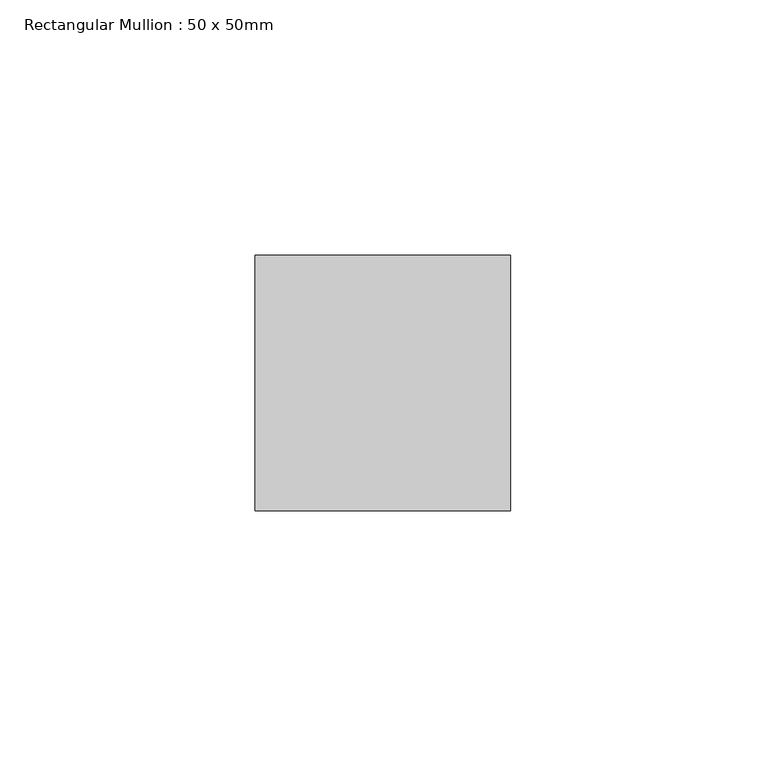
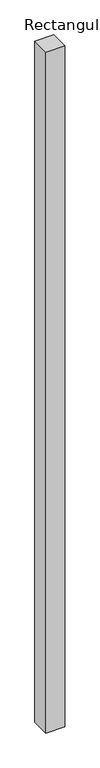
"""IFC4 building model written with IfcOpenShell, lengths in millimetres: member geometry, Rectangular Mullion : 50 x 50mm."""

from ifc_helpers import new_model, si_unit, frame, origin, place, context, project, spatial, polyline, outline, extrude, source, transform, mapped, element, save


def rectangular_mullion_50_x_50mm_0fd4e253(model_context):
    return source(origin(), model_context, "Body", "SweptSolid", [
        extrude(outline(polyline([(0.0, 50.0), (0.0, 0.0), (-50.0, 0.0), (-50.0, 50.0), (0.0, 50.0)])), frame((0.0, 0.0, -1903.0), z_axis=(0.0, 0.0, 1.0), x_axis=(1.0, 0.0, 0.0)), (0.0, 0.0, 1.0), 1903.0),
    ])


if __name__ == "__main__":
    model = new_model("IFC4")
    model_context = context("Model", 3, world=origin())
    ifc_project = project(units=[si_unit("LENGTHUNIT", "METRE", prefix="MILLI")], contexts=[model_context])
    site = spatial("IfcSite", under=ifc_project)
    building = spatial("IfcBuilding", under=site)
    placement = place(None, origin())
    rectangular_mullion_50_x_50mm_shape = rectangular_mullion_50_x_50mm_0fd4e253(model_context)
    element("IfcMember", 1, ObjectType="Rectangular Mullion : 50 x 50mm", at=placement, inside=building, context=model_context, shape_type="MappedRepresentation", body=[
        mapped(rectangular_mullion_50_x_50mm_shape, transform((0.0, 0.0, 0.0), x_axis=(1.0, 0.0, 0.0), y_axis=(0.0, 1.0, 0.0), z_axis=(0.0, 0.0, 1.0))),
    ])
    save(model, "model.ifc")
